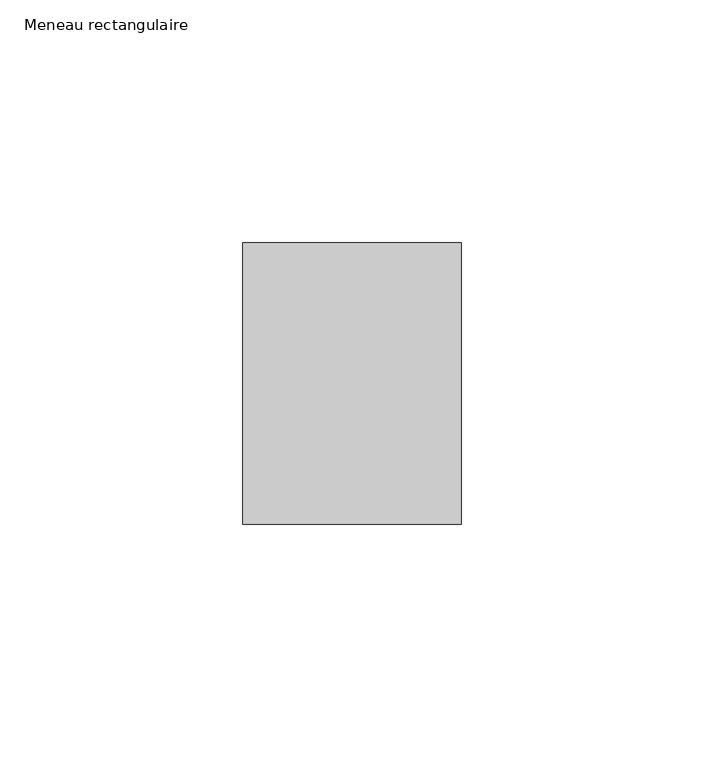
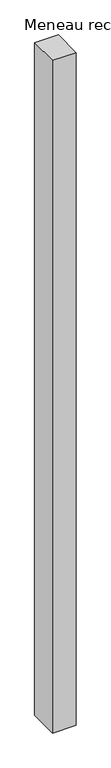
"""IFC4 building model written with IfcOpenShell, lengths in millimetres: member geometry, Meneau rectangulaire."""

from ifc_helpers import new_model, si_unit, frame, origin, place, context, project, spatial, polyline, outline, extrude, source, transform, mapped, element, save


def meneau_rectangulaire_63b5d55e(model_context):
    return source(origin(), model_context, "Body", "SweptSolid", [
        extrude(outline(polyline([(0.0, 29.0), (0.0, -29.0), (-45.0, -29.0), (-45.0, 29.0), (0.0, 29.0)])), frame((0.0, 0.0, -1344.2499999), z_axis=(0.0, 0.0, 1.0), x_axis=(1.0, 0.0, 0.0)), (0.0, 0.0, 1.0), 1344.2499999),
    ])


if __name__ == "__main__":
    model = new_model("IFC4")
    model_context = context("Model", 3, world=origin())
    ifc_project = project(units=[si_unit("LENGTHUNIT", "METRE", prefix="MILLI")], contexts=[model_context])
    site = spatial("IfcSite", under=ifc_project)
    building = spatial("IfcBuilding", under=site)
    placement = place(None, origin())
    meneau_rectangulaire_shape = meneau_rectangulaire_63b5d55e(model_context)
    element("IfcMember", 1, ObjectType="Meneau rectangulaire", at=placement, inside=building, context=model_context, shape_type="MappedRepresentation", body=[
        mapped(meneau_rectangulaire_shape, transform((0.0, 0.0, 0.0), x_axis=(1.0, 0.0, 0.0), y_axis=(0.0, 1.0, 0.0), z_axis=(0.0, 0.0, 1.0))),
    ])
    save(model, "model.ifc")
